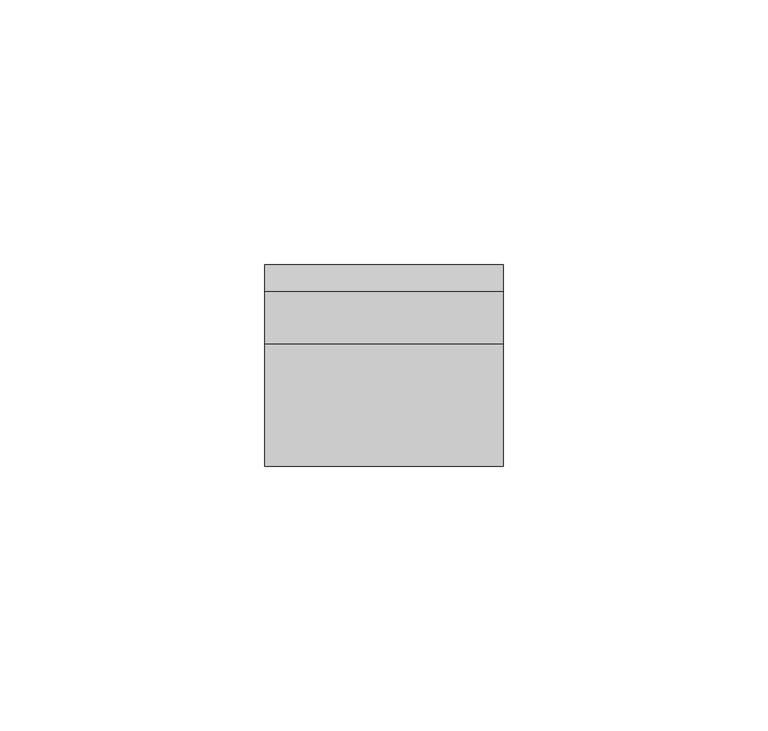
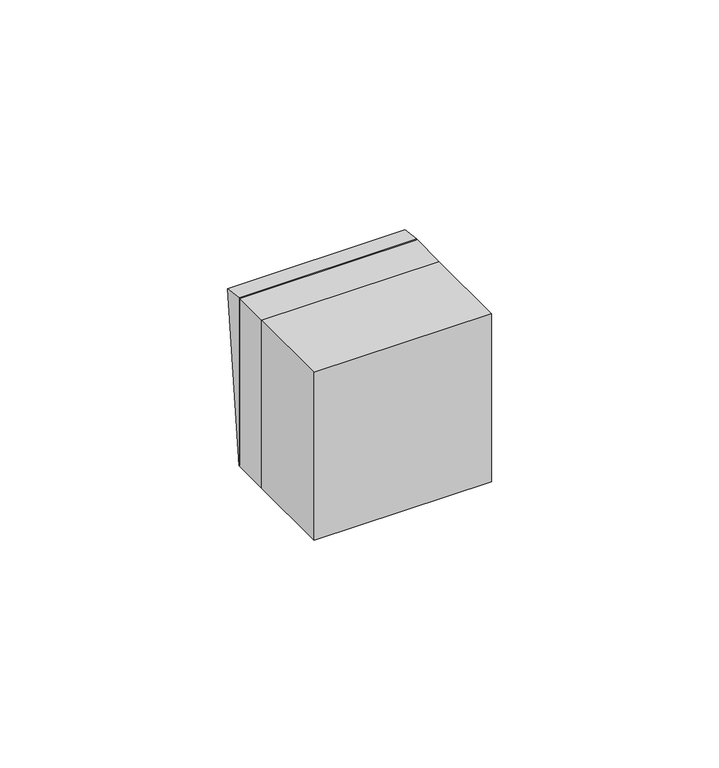
"""IFC4 building model written with IfcOpenShell, lengths in millimetres: switching device geometry."""

from ifc_helpers import new_model, si_unit, frame, origin, place, context, project, spatial, polyline, outline, extrude, source, transform, mapped, element, save


def switching_device_0ce3989d(model_context):
    return source(origin(), model_context, "Body", "SweptSolid", [
        extrude(outline(polyline([(10.0, -22.5), (10.0, 22.5), (14.9850961, 21.9408026), (10.0, -22.5)])), frame((-22.5, 0.0, 0.0), z_axis=(1.0, 0.0, 0.0), x_axis=(0.0, 1.0, 0.0)), (0.0, 0.0, 1.0), 45.0),
        extrude(outline(polyline([(22.5, -23.0), (-22.5, -23.0), (-22.5, 0.0), (22.5, 0.0), (22.5, -23.0)])), frame((0.0, 0.0, -22.5), z_axis=(0.0, 0.0, 1.0), x_axis=(1.0, 0.0, 0.0)), (0.0, 0.0, 1.0), 45.0),
        extrude(outline(polyline([(22.5, 0.0), (-22.5, 0.0), (-22.5, 10.0), (22.5, 10.0), (22.5, 0.0)])), frame((0.0, 0.0, -22.5), z_axis=(0.0, 0.0, 1.0), x_axis=(1.0, 0.0, 0.0)), (0.0, 0.0, 1.0), 45.0),
    ])


if __name__ == "__main__":
    model = new_model("IFC4")
    model_context = context("Model", 3, world=origin())
    ifc_project = project(units=[si_unit("LENGTHUNIT", "METRE", prefix="MILLI")], contexts=[model_context])
    site = spatial("IfcSite", under=ifc_project)
    building = spatial("IfcBuilding", under=site)
    placement = place(None, origin())
    switching_device_shape = switching_device_0ce3989d(model_context)
    element("IfcSwitchingDevice", 1, at=placement, inside=building, context=model_context, shape_type="MappedRepresentation", body=[
        mapped(switching_device_shape, transform((0.0, 0.0, 0.0), x_axis=(1.0, 0.0, 0.0), y_axis=(0.0, 1.0, 0.0), z_axis=(0.0, 0.0, 1.0))),
    ])
    save(model, "model.ifc")
